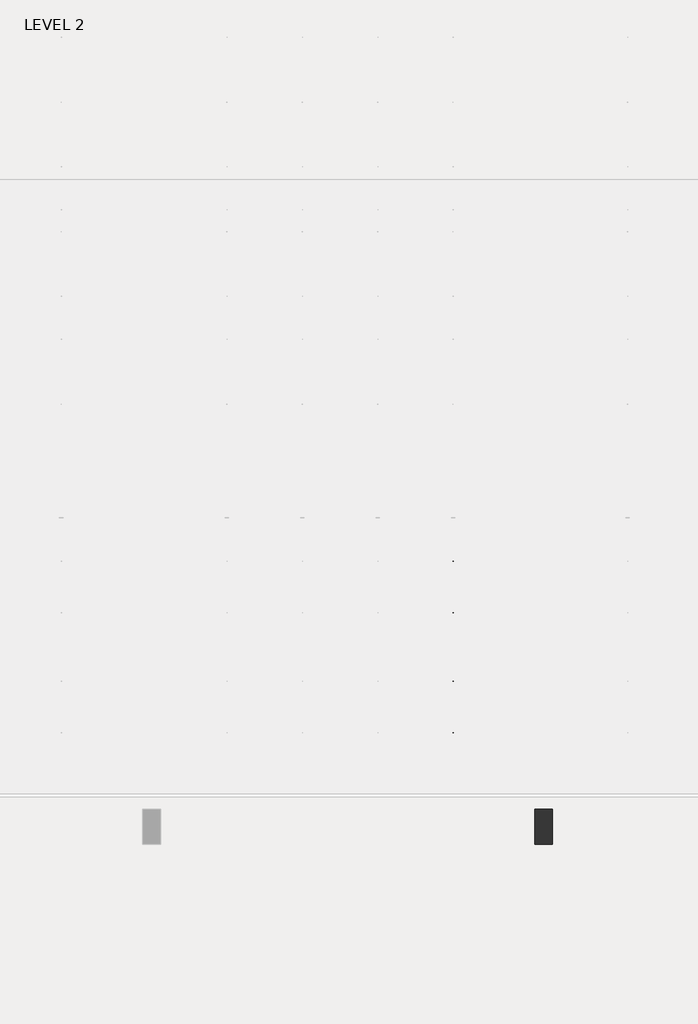
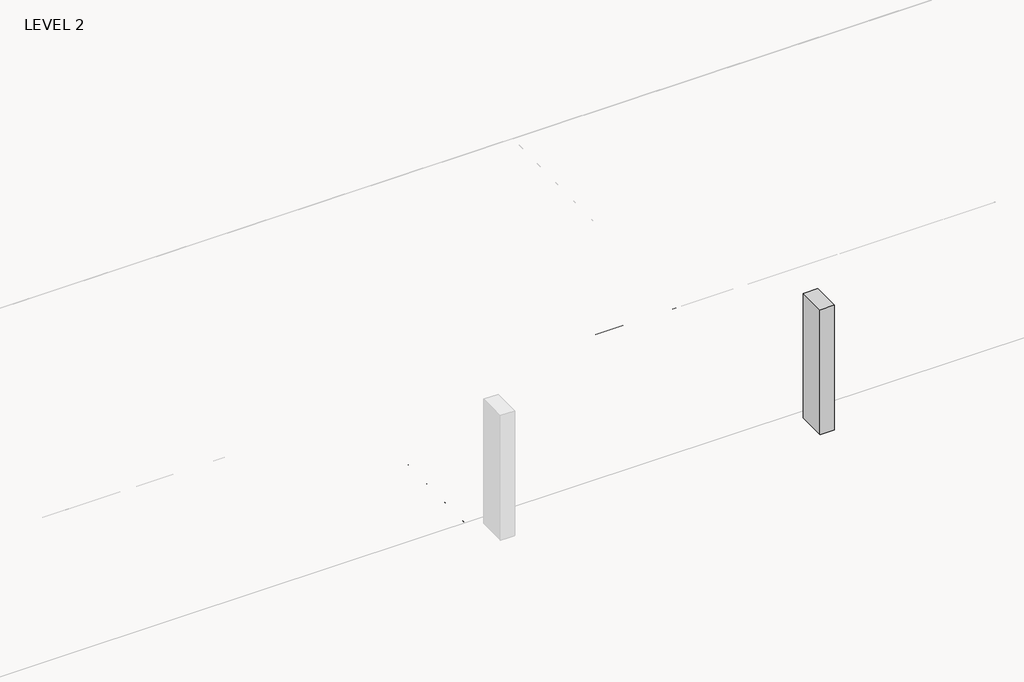
# One storey, part 39 of 67: 3 beams, 1 column.
"""IFC4 building model written with IfcOpenShell, lengths in millimetres."""

import ifcopenshell
import ifcopenshell.guid

model = None  # the IFC model being written
_history = None  # IfcOwnerHistory: only IFC2X3 demands one
_inside = {}  # id of a spatial element -> (the spatial element, [elements in it])
_under = {}  # id of a project, library or spatial element -> (it, [spatial elements below it])
_declared = {}  # id of a project -> (the project, [libraries it declares])
_typed = {}  # id of a type object -> (the type object, [elements of that type])
_made_of = {}  # id of a material, layer set ... -> (it, [elements and type objects made of it])


def new_model(schema):
    """Start an empty IFC model of exactly this schema.

    Asked for "IFC4X3", IfcOpenShell would pick the latest addendum, in which some entities
    have other attributes; the version numbers below select the first issue.
    IFC2X3 requires an IfcOwnerHistory on every rooted entity: one is made here for all.
    """
    global model, _history
    if schema == "IFC4X3":
        model = ifcopenshell.file(schema_version=(4, 3, 0, 0))
    else:
        model = ifcopenshell.file(schema=schema)
    _inside.clear()
    _under.clear()
    _declared.clear()
    _typed.clear()
    _made_of.clear()
    _history = None
    if model.schema == "IFC2X3":
        org = make("IfcOrganization", Name="unknown")
        user = make(
            "IfcPersonAndOrganization",
            ThePerson=make("IfcPerson", FamilyName="unknown"),
            TheOrganization=org,
        )
        app = make(
            "IfcApplication",
            ApplicationDeveloper=org,
            Version="unknown",
            ApplicationFullName="unknown",
            ApplicationIdentifier="unknown",
        )
        _history = make(
            "IfcOwnerHistory",
            OwningUser=user,
            OwningApplication=app,
            ChangeAction="ADDED",
            CreationDate=0,
        )
    return model


def make(cls, **values):
    """One entity of the class cls with the attributes given. An attribute that is None is left unset."""
    return model.create_entity(
        cls, **{name: value for name, value in values.items() if value is not None}
    )


def rooted(cls, **values):
    """An entity with a GlobalId (a new one), such as an element, a storey or a relation."""
    return make(cls, GlobalId=ifcopenshell.guid.new(), OwnerHistory=_history, **values)


def si_unit(unit_type, name, prefix=None):
    """IfcSIUnit, for example si_unit("LENGTHUNIT", "METRE", prefix="MILLI")."""
    return make("IfcSIUnit", UnitType=unit_type, Prefix=prefix, Name=name)


def assignment(units):
    """IfcUnitAssignment: the units of a project."""
    return None if units is None else make("IfcUnitAssignment", Units=units)


def point(xyz):
    """IfcCartesianPoint."""
    return None if xyz is None else make("IfcCartesianPoint", Coordinates=xyz)


def direction(xyz):
    """IfcDirection."""
    return None if xyz is None else make("IfcDirection", DirectionRatios=xyz)


def frame(location, z_axis=None, x_axis=None):
    """IfcAxis2Placement3D, a coordinate frame: its origin and axes. An axis left out is left unset."""
    return make(
        "IfcAxis2Placement3D",
        Location=point(location),
        Axis=direction(z_axis),
        RefDirection=direction(x_axis),
    )


def frame_2d(location, x_axis=None):
    """IfcAxis2Placement2D, a coordinate frame in the plane: its origin and x axis."""
    return make(
        "IfcAxis2Placement2D", Location=point(location), RefDirection=direction(x_axis)
    )


def origin():
    """The frame at (0, 0, 0) with its axes left unset."""
    return frame((0.0, 0.0, 0.0))


def place(relative_to, where):
    """IfcLocalPlacement: puts the frame where relative to a parent placement (None: the world)."""
    return make(
        "IfcLocalPlacement", PlacementRelTo=relative_to, RelativePlacement=where
    )


def context(
    kind, dimensions, precision=None, world=None, true_north=None, identifier=None
):
    """IfcGeometricRepresentationContext, for example the 3D "Model" context."""
    return make(
        "IfcGeometricRepresentationContext",
        ContextIdentifier=identifier,
        ContextType=kind,
        CoordinateSpaceDimension=dimensions,
        Precision=precision,
        WorldCoordinateSystem=world,
        TrueNorth=true_north,
    )


def project(units=None, contexts=None):
    """IfcProject with its units and contexts."""
    return rooted(
        "IfcProject",
        Name="project",
        RepresentationContexts=contexts,
        UnitsInContext=assignment(units),
    )


def spatial(cls, under=None, at=None, **own):
    """A site, building, storey or space (cls), placed at a placement, below another one or the project."""
    s = rooted(cls, ObjectPlacement=at, **own)
    if under is not None:
        _under.setdefault(under.id(), (under, []))[1].append(s)
    return s


def polyline(points):
    """IfcPolyline through the points."""
    return make("IfcPolyline", Points=[point(p) for p in points])


def circle_curve(where, radius):
    """IfcCircle in the frame where."""
    return make("IfcCircle", Position=where, Radius=radius)


def ellipse_curve(where, semi_axis1, semi_axis2):
    """IfcEllipse in the frame where."""
    return make(
        "IfcEllipse", Position=where, SemiAxis1=semi_axis1, SemiAxis2=semi_axis2
    )


def trimmed(basis, trim1, trim2, sense, master):
    """IfcTrimmedCurve: the piece of a basis curve between two trims."""
    return make(
        "IfcTrimmedCurve",
        BasisCurve=basis,
        Trim1=trim1,
        Trim2=trim2,
        SenseAgreement=sense,
        MasterRepresentation=master,
    )


def segment(curve, same_sense, transition):
    """IfcCompositeCurveSegment."""
    return make(
        "IfcCompositeCurveSegment",
        Transition=transition,
        SameSense=same_sense,
        ParentCurve=curve,
    )


def composite_curve(segments, self_intersect=None):
    """IfcCompositeCurve: segments joined end to end."""
    return make("IfcCompositeCurve", Segments=segments, SelfIntersect=self_intersect)


def outline(outer, holes=None, kind="AREA"):
    """IfcArbitraryClosedProfileDef: a profile drawn as a closed curve; with holes, ...WithVoids."""
    if holes is None:
        return make("IfcArbitraryClosedProfileDef", ProfileType=kind, OuterCurve=outer)
    return make(
        "IfcArbitraryProfileDefWithVoids",
        ProfileType=kind,
        OuterCurve=outer,
        InnerCurves=holes,
    )


def extrude(swept, where, along, depth):
    """IfcExtrudedAreaSolid: the profile swept, set in the frame where, extruded along a direction by depth."""
    return make(
        "IfcExtrudedAreaSolid",
        SweptArea=swept,
        Position=where,
        ExtrudedDirection=direction(along),
        Depth=depth,
    )


def faces_of(points, faces, orient=None, outer=None):
    """IfcFace entities. A face is a list of loops; a loop is a list of indices into points, from 0.

    orient and outer hold one flag for each loop. By default every Orientation is true, the
    first loop of a face is its IfcFaceOuterBound and the others are IfcFaceBound.
    """
    made = []
    for i, loops in enumerate(faces):
        bounds = []
        for j, loop in enumerate(loops):
            is_outer = j == 0 if outer is None else outer[i][j]
            bounds.append(
                make(
                    "IfcFaceOuterBound" if is_outer else "IfcFaceBound",
                    Bound=make("IfcPolyLoop", Polygon=[points[k] for k in loop]),
                    Orientation=True if orient is None else orient[i][j],
                )
            )
        made.append(make("IfcFace", Bounds=bounds))
    return made


def faceted_brep(points, faces, orient=None, outer=None, voids=None):
    """IfcFacetedBrep: a solid bounded by flat faces; with voids (closed shells), ...WithVoids."""
    shared = [point(p) for p in points]
    hull = make("IfcClosedShell", CfsFaces=faces_of(shared, faces, orient, outer))
    if voids is None:
        return make("IfcFacetedBrep", Outer=hull)
    return make(
        "IfcFacetedBrepWithVoids",
        Outer=hull,
        Voids=[
            make(cls, CfsFaces=faces_of(shared, fs, o, b)) for cls, fs, o, b in voids
        ],
    )


def shape(context_of_items, identifier, shape_type, items):
    """IfcShapeRepresentation: the items that make up one representation, for example the "Body"."""
    return make(
        "IfcShapeRepresentation",
        ContextOfItems=context_of_items,
        RepresentationIdentifier=identifier,
        RepresentationType=shape_type,
        Items=items,
    )


def source(mapping_origin, context_of_items, identifier, shape_type, items):
    """IfcRepresentationMap: a shape defined once, which mapped items show again and again."""
    return make(
        "IfcRepresentationMap",
        MappingOrigin=mapping_origin,
        MappedRepresentation=shape(context_of_items, identifier, shape_type, items),
    )


def transform(
    local_origin,
    x_axis=None,
    y_axis=None,
    z_axis=None,
    scale=None,
    scale2=None,
    scale3=None,
    uniform=True,
):
    """IfcCartesianTransformationOperator3D, or its non-uniform kind. x_axis, y_axis, z_axis: its Axis1, 2, 3."""
    if uniform:
        return make(
            "IfcCartesianTransformationOperator3D",
            Axis1=direction(x_axis),
            Axis2=direction(y_axis),
            LocalOrigin=point(local_origin),
            Scale=scale,
            Axis3=direction(z_axis),
        )
    return make(
        "IfcCartesianTransformationOperator3DnonUniform",
        Axis1=direction(x_axis),
        Axis2=direction(y_axis),
        LocalOrigin=point(local_origin),
        Scale=scale,
        Axis3=direction(z_axis),
        Scale2=scale2,
        Scale3=scale3,
    )


def mapped(mapping_source, mapping_target):
    """IfcMappedItem: shows the shape of a source again, moved by a transform."""
    return make(
        "IfcMappedItem", MappingSource=mapping_source, MappingTarget=mapping_target
    )


def made_of(thing, what):
    """Note that an element or type object is made of a material, layer set ...; save() writes the relation."""
    if what is not None:
        _made_of.setdefault(what.id(), (what, []))[1].append(thing)
    return thing


def element(
    cls,
    number,
    at=None,
    inside=None,
    cuts=None,
    type_object=None,
    material=None,
    context=None,
    identifier="Body",
    shape_type=None,
    held_by="IfcProductDefinitionShape",
    body=None,
    shapes=None,
    **own,
):
    """One element of the class cls, such as IfcWall. Its Tag is "e" and its number.

    at: its placement. inside: the storey or other place that contains it. cuts: it is an
    opening in that element (IfcRelVoidsElement). A single representation is given by context,
    identifier, shape_type and body (its items); several are given by shapes. held_by: the class
    of the entity that holds the representations. save() writes the other relations.
    """
    e = rooted(cls, Tag="e%d" % number, ObjectPlacement=at, **own)
    if body is not None:
        shapes = [shape(context, identifier, shape_type, body)]
    if shapes is not None:
        e.Representation = make(held_by, Representations=shapes)
    if inside is not None:
        _inside.setdefault(inside.id(), (inside, []))[1].append(e)
    if cuts is not None:
        rooted(
            "IfcRelVoidsElement", RelatingBuildingElement=cuts, RelatedOpeningElement=e
        )
    if type_object is not None:
        _typed.setdefault(type_object.id(), (type_object, []))[1].append(e)
    return made_of(e, material)


def aggregate(whole, parts):
    """IfcRelAggregates: a whole, such as a stair, and the parts it consists of."""
    return rooted("IfcRelAggregates", RelatingObject=whole, RelatedObjects=parts)


def save(model, path):
    """Write the relations noted so far, then the file.

    IfcRelAggregates (storeys below a building ...), IfcRelContainedInSpatialStructure (elements
    in a storey), IfcRelDefinesByType, IfcRelAssociatesMaterial and IfcRelDeclares: one each for
    every whole, place, type object, material and project.
    """
    for whole, parts in _under.values():
        aggregate(whole, parts)
    for where, things in _inside.values():
        rooted(
            "IfcRelContainedInSpatialStructure",
            RelatedElements=things,
            RelatingStructure=where,
        )
    for kind, things in _typed.values():
        rooted("IfcRelDefinesByType", RelatedObjects=things, RelatingType=kind)
    for what, things in _made_of.values():
        rooted("IfcRelAssociatesMaterial", RelatedObjects=things, RelatingMaterial=what)
    for by, libraries in _declared.values():
        rooted("IfcRelDeclares", RelatingContext=by, RelatedDefinitions=libraries)
    model.write(path)


def plane_surface(at):
    """IfcPlane: the flat surface through the origin of the frame at, square to its z axis."""
    return make("IfcPlane", Position=at)


def revolved_surface(curve, axis_point, axis_direction):
    """IfcSurfaceOfRevolution: the curve turned about the line through axis_point along axis_direction."""
    return make(
        "IfcSurfaceOfRevolution",
        SweptCurve=make("IfcArbitraryOpenProfileDef", ProfileType="CURVE", Curve=curve),
        AxisPosition=make("IfcAxis1Placement", Location=point(axis_point), Axis=direction(axis_direction)),
    )


def advanced_brep(points, edges, surfaces, faces):
    """IfcAdvancedBrep: a solid bounded by faces that lie on surfaces and meet in shared edges.

    An edge is (start, end): straight between two places in points (the first is 0);
    or (start, end, curve); or (start, end, curve, False) where it runs against its curve.
    A face is (place in surfaces, loops), or (place, loops, False) where it looks against
    its surface's normal. A loop lists edges by number (the first is 1), with a minus sign
    where the edge is run from its end to its start. The first loop is the outer one.
    """
    corners = [point(p) for p in points]
    vertices = [make("IfcVertexPoint", VertexGeometry=c) for c in corners]
    made = []
    for start, end, *more in edges:
        made.append(
            make(
                "IfcEdgeCurve",
                EdgeStart=vertices[start],
                EdgeEnd=vertices[end],
                EdgeGeometry=more[0] if more else make("IfcPolyline", Points=[corners[start], corners[end]]),
                SameSense=more[1] if len(more) > 1 else True,
            )
        )
    hull = []
    for where, loops, *sense in faces:
        bounds = []
        for j, loop in enumerate(loops):
            ring = [make("IfcOrientedEdge", EdgeElement=made[abs(k) - 1], Orientation=k > 0) for k in loop]
            bounds.append(
                make(
                    "IfcFaceOuterBound" if j == 0 else "IfcFaceBound",
                    Bound=make("IfcEdgeLoop", EdgeList=ring),
                    Orientation=True,
                )
            )
        hull.append(make("IfcAdvancedFace", Bounds=bounds, FaceSurface=surfaces[where], SameSense=sense[0] if sense else True))
    return make("IfcAdvancedBrep", Outer=make("IfcClosedShell", CfsFaces=hull))


def w16x26_cc45c3c0(model_context):
    return source(origin(), model_context, "Body", "SweptSolid", [
        extrude(outline(composite_curve([segment(polyline([(69.85, -190.627), (69.85, -199.39), (-69.85, -199.39), (-69.85, -190.627), (-21.3995, -190.627)]), True, "CONTINUOUS"), segment(trimmed(circle_curve(frame_2d((-21.3995, -172.4025)), 18.2245), [point((-21.3995, -190.627))], [point((-3.175, -172.4025))], True, "CARTESIAN"), True, "CONTINUOUS"), segment(polyline([(-3.175, -172.4025), (-3.175, 172.4025)]), True, "CONTINUOUS"), segment(trimmed(circle_curve(frame_2d((-21.3995, 172.4025)), 18.2245), [point((-3.175, 172.4025))], [point((-21.3995, 190.627))], True, "CARTESIAN"), True, "CONTINUOUS"), segment(polyline([(-21.3995, 190.627), (-69.85, 190.627), (-69.85, 199.39), (69.85, 199.39), (69.85, 190.627), (21.3995, 190.627)]), True, "CONTINUOUS"), segment(trimmed(circle_curve(frame_2d((21.3995, 172.4025)), 18.2245), [point((21.3995, 190.627))], [point((3.175, 172.4025))], True, "CARTESIAN"), True, "CONTINUOUS"), segment(polyline([(3.175, 172.4025), (3.175, -172.4025)]), True, "CONTINUOUS"), segment(trimmed(circle_curve(frame_2d((21.3995, -172.4025)), 18.2245), [point((3.175, -172.4025))], [point((21.3995, -190.627))], True, "CARTESIAN"), True, "CONTINUOUS"), segment(polyline([(21.3995, -190.627), (69.85, -190.627)]), True, "CONTINUOUS")], self_intersect=False)), frame((-3822.7, 0.0, 0.0), z_axis=(1.0, 0.0, 0.0), x_axis=(0.0, 1.0, 0.0)), (0.0, 0.0, 1.0), 7785.1),
    ])


model = new_model("IFC4")

# Units and contexts
model_context = context("Model", 3, world=origin())
ifc_project = project(units=[si_unit("LENGTHUNIT", "METRE", prefix="MILLI")], contexts=[model_context])

# Site, building, storey
site = spatial("IfcSite", under=ifc_project)
building = spatial("IfcBuilding", under=site)
storey = spatial("IfcBuildingStorey", under=building, Name="LEVEL 2", Elevation=6908.8)

# Beams
placement = place(None, origin())
element("IfcBeam", 1, ObjectType="K-Series Bar Joist-Angle Web : 12K3", at=placement, inside=storey, context=model_context, shape_type="SolidModel", body=[
    extrude(outline(polyline([(0.0, -9.525), (0.0, 0.0), (573.7533355, 0.0), (573.7533355, -9.525), (0.0, -9.525)])), frame((38749.8014942, -9604.1227945, 6274.1671734), z_axis=(0.0, -0.48308851527800273, 0.8755715198694479), x_axis=(0.0, -0.8755715198694479, -0.48308851527800273)), (0.0, 0.0, 1.0), 9.525),
    extrude(outline(polyline([(0.0, -9.525), (0.0, 0.0), (573.7533355, 0.0), (573.7533355, -9.525), (0.0, -9.525)])), frame((38740.2764942, -14433.5123055, 6174.0312759), z_axis=(0.0, 0.44637950228858414, 0.894843751688861), x_axis=(0.0, 0.894843751688861, -0.44637950228858414)), (0.0, 0.0, 1.0), 9.525),
    extrude(outline(polyline([(4.7625, 4.7625), (4.7625, -4.7625), (-4.7625, -4.7625), (-4.7625, 4.7625), (4.7625, 4.7625)])), frame((38745.0389942, -10108.7855836, 6001.1634358), z_axis=(0.0, 0.5271021201119526, 0.8498019504410923), x_axis=(-1.0, 0.0, 0.0)), (0.0, 0.0, 1.0), 317.9950191),
    extrude(outline(polyline([(4.7625, 4.7625), (4.7625, -4.7625001), (-4.7625, -4.7625001), (-4.7625, 4.7625), (4.7625, 4.7625)])), frame((38745.0389942, -13917.9668359, 5922.1812409), z_axis=(0.0, -0.5618747002661082, 0.8272223529383567), x_axis=(-1.0, 0.0, 0.0)), (0.0, 0.0, 1.0), 317.9950191),
    extrude(outline(polyline([(0.0, 0.0), (31.75, 0.0), (31.75, -6.35), (6.35, -6.35), (6.35, -31.75), (0.0, -31.75), (0.0, 0.0)])), frame((38749.8014942, -14019.4133656, 5913.7264136), z_axis=(0.0, 0.9997851055909517, 0.020730234887470715), x_axis=(1.0, 0.0, 0.0)), (0.0, 0.0, 1.0), 4013.2),
    extrude(outline(polyline([(-9.525, 0.0), (-9.525, -31.75), (-15.875, -31.75), (-15.875, -6.35), (-41.275, -6.35), (-41.275, 0.0), (-9.525, 0.0)])), frame((38749.8014942, -14019.4133656, 5913.7264136), z_axis=(0.0, 0.9997851055909517, 0.020730234887470715), x_axis=(1.0, 0.0, 0.0)), (0.0, 0.0, 1.0), 4013.2),
    extrude(outline(polyline([(-31.75, 0.0), (0.0, 0.0), (0.0, -6.35), (-25.4, -6.35), (-25.4, -31.75), (-31.75, -31.75), (-31.75, 0.0)])), frame((38781.5514942, -14532.3064049, 6144.4436003), z_axis=(0.0, 0.9997851055909517, 0.020730234887470715), x_axis=(1.0, 0.0, 0.0)), (0.0, 0.0, 1.0), 101.6),
    extrude(outline(polyline([(-41.275, 0.0), (-41.275, -31.75), (-47.625, -31.75), (-47.625, -6.35), (-73.025, -6.35), (-73.025, 0.0), (-41.275, 0.0)])), frame((38781.5514942, -14532.3064049, 6144.4436003), z_axis=(0.0, 0.9997851055909517, 0.020730234887470715), x_axis=(1.0, 0.0, 0.0)), (0.0, 0.0, 1.0), 101.6),
    extrude(outline(polyline([(0.0, 0.0), (31.75, 0.0), (31.75, -6.35), (6.35, -6.35), (6.35, -31.75), (0.0, -31.75), (0.0, 0.0)])), frame((38740.2764942, -9605.7653186, 6246.5939057), z_axis=(0.0, 0.9997851055909517, 0.020730234887470715), x_axis=(0.0, -0.020730234887470715, 0.9997851055909517)), (0.0, 0.0, 1.0), 101.6),
    extrude(outline(polyline([(0.0, 41.275), (6.35, 41.275), (6.35, 15.875), (31.75, 15.875), (31.75, 9.525), (0.0, 9.525), (0.0, 41.275)])), frame((38740.2764942, -9605.7653186, 6246.5939057), z_axis=(0.0, 0.9997851055909517, 0.020730234887470715), x_axis=(0.0, -0.020730234887470715, 0.9997851055909517)), (0.0, 0.0, 1.0), 101.6),
    extrude(outline(polyline([(0.0, 0.0), (31.75, 0.0), (31.75, -6.35), (6.35, -6.35), (6.35, -31.75), (0.0, -31.75), (0.0, 0.0)])), frame((38749.8014942, -14533.6227748, 6207.9299545), z_axis=(0.0, 0.9997851055909517, 0.020730234887470715), x_axis=(0.0, 0.020730234887470715, -0.9997851055909517)), (0.0, 0.0, 1.0), 5029.2),
    extrude(outline(polyline([(0.0, 9.525), (0.0, 41.275), (6.35, 41.275), (6.35, 15.875), (31.75, 15.875), (31.75, 9.525), (0.0, 9.525)])), frame((38749.8014942, -14533.6227748, 6207.9299545), z_axis=(0.0, 0.9997851055909517, 0.020730234887470715), x_axis=(0.0, 0.020730234887470715, -0.9997851055909517)), (0.0, 0.0, 1.0), 5029.2),
    faceted_brep([(38745.0389942, -10109.114676, 6017.0350244), (38745.0389942, -10108.7197651, 5997.9891181), (38740.2764942, -10108.7197651, 5997.9891181), (38740.2764942, -10109.114676, 6017.0350244), (38745.0389942, -10109.9510625, 6017.0176822), (38745.0389942, -10276.1904217, 6293.0308149), (38745.0389942, -10294.3999415, 6292.6532461), (38745.0389942, -10294.0050305, 6273.6073399), (38745.0389942, -10286.8200086, 6273.7563191), (38745.0389942, -10120.5806494, 5997.7431863), (38740.2764942, -10120.5806494, 5997.7431863), (38740.2764942, -10141.3605693, 6032.2448279), (38740.2764942, -10137.2808829, 6034.7019736), (38740.2764942, -10273.294904, 6260.5309003), (38740.2764942, -10277.3745905, 6258.0737547), (38740.2764942, -10286.8200086, 6273.7563191), (38740.2764942, -10294.0050305, 6273.6073399), (38740.2764942, -10294.3999415, 6292.6532461), (38740.2764942, -10276.1904217, 6293.0308149), (38740.2764942, -10109.9510625, 6017.0176822), (38727.5764942, -10277.3745905, 6258.0737547), (38727.5764942, -10141.3605693, 6032.2448279), (38727.5764942, -10137.2808829, 6034.7019736), (38727.5764942, -10273.294904, 6260.5309003)], [[[0, 1, 2, 3]], [[1, 0, 4, 5, 6, 7, 8, 9]], [[2, 1, 9, 10]], [[3, 2, 10, 11, 12, 13, 14, 15, 16, 17, 18, 19]], [[0, 3, 19, 4]], [[9, 8, 15, 14, 20, 21, 11, 10]], [[5, 4, 19, 18]], [[7, 6, 17, 16]], [[8, 7, 16, 15]], [[6, 5, 18, 17]], [[21, 22, 12, 11]], [[20, 14, 13, 23]], [[22, 21, 20, 23]], [[12, 22, 23, 13]]]),
    extrude(outline(polyline([(-10455.0089698, 5990.8089186), (-10455.4038808, 6009.8548248), (-10454.5674943, 6009.872167), (-10299.9121904, 6292.5389513), (-10281.7026706, 6292.9165201), (-10281.3077596, 6273.8706138), (-10288.4927815, 6273.7216346), (-10443.1480854, 5991.0548503), (-10455.0089698, 5990.8089186)])), frame((38745.0389942, 0.0, 0.0), z_axis=(1.0, 0.0, 0.0), x_axis=(0.0, 1.0, 0.0)), (0.0, 0.0, 1.0), 4.7625),
    extrude(outline(polyline([(-4.7625, 4.7625), (-4.7625, 0.0), (-17.4625, 0.0), (-17.4625, 4.7625), (-4.7625, 4.7625)])), frame((38745.0389942, -10423.8161725, 6026.3881984), z_axis=(0.0, 0.4799841217599757, 0.8772771756168657), x_axis=(-1.0, 0.0, 0.0)), (0.0, 0.0, 1.0), 263.6257159),
    faceted_brep([(38745.0389942, -13572.0067236, 5945.233029), (38745.0389942, -13571.6118126, 5926.1871227), (38740.2764942, -13571.6118126, 5926.1871227), (38740.2764942, -13572.0067236, 5945.233029), (38745.0389942, -13572.8431101, 5945.2156868), (38745.0389942, -13739.0824692, 6221.2288195), (38745.0389942, -13757.291989, 6220.8512507), (38745.0389942, -13756.897078, 6201.8053445), (38745.0389942, -13749.7120561, 6201.9543237), (38745.0389942, -13583.472697, 5925.941191), (38740.2764942, -13583.472697, 5925.941191), (38740.2764942, -13604.2526169, 5960.4428325), (38740.2764942, -13600.1729304, 5962.8999782), (38740.2764942, -13736.1869515, 6188.7289049), (38740.2764942, -13740.266638, 6186.2717593), (38740.2764942, -13749.7120561, 6201.9543237), (38740.2764942, -13756.897078, 6201.8053445), (38740.2764942, -13757.291989, 6220.8512507), (38740.2764942, -13739.0824692, 6221.2288195), (38740.2764942, -13572.8431101, 5945.2156868), (38727.5764942, -13740.266638, 6186.2717593), (38727.5764942, -13604.2526169, 5960.4428325), (38727.5764942, -13600.1729304, 5962.8999782), (38727.5764942, -13736.1869515, 6188.7289049)], [[[0, 1, 2, 3]], [[1, 0, 4, 5, 6, 7, 8, 9]], [[2, 1, 9, 10]], [[3, 2, 10, 11, 12, 13, 14, 15, 16, 17, 18, 19]], [[0, 3, 19, 4]], [[9, 8, 15, 14, 20, 21, 11, 10]], [[5, 4, 19, 18]], [[7, 6, 17, 16]], [[8, 7, 16, 15]], [[6, 5, 18, 17]], [[21, 22, 12, 11]], [[20, 14, 13, 23]], [[22, 21, 20, 23]], [[12, 22, 23, 13]]]),
    extrude(outline(polyline([(-13917.9010174, 5919.0069232), (-13918.2959283, 5938.0528295), (-13917.4595419, 5938.0701717), (-13762.804238, 6220.736956), (-13744.5947182, 6221.1145247), (-13744.1998072, 6202.0686185), (-13751.3848291, 6201.9196392), (-13906.040133, 5919.252855), (-13917.9010174, 5919.0069232)])), frame((38745.0389942, 0.0, 0.0), z_axis=(1.0, 0.0, 0.0), x_axis=(0.0, 1.0, 0.0)), (0.0, 0.0, 1.0), 4.7625),
    extrude(outline(polyline([(-4.7625, 4.7625001), (-4.7625, 0.0), (-17.4625, 0.0), (-17.4625, 4.7625001), (-4.7625, 4.7625001)])), frame((38745.0389942, -13886.70822, 5954.586203), z_axis=(0.0, 0.4799841217599757, 0.8772771756168657), x_axis=(-1.0, 0.0, 0.0)), (0.0, 0.0, 1.0), 263.6257159),
    faceted_brep([(38745.0389942, -10455.4038808, 6009.8548248), (38745.0389942, -10455.0089698, 5990.8089186), (38740.2764942, -10455.0089698, 5990.8089186), (38740.2764942, -10455.4038808, 6009.8548248), (38745.0389942, -10456.2402673, 6009.8374826), (38745.0389942, -10622.4796264, 6285.8506153), (38745.0389942, -10640.6891462, 6285.4730466), (38745.0389942, -10640.2942352, 6266.4271403), (38745.0389942, -10633.1092134, 6266.5761195), (38745.0389942, -10466.8698542, 5990.5629868), (38740.2764942, -10466.8698542, 5990.5629868), (38740.2764942, -10487.6497741, 6025.0646284), (38740.2764942, -10483.5700876, 6027.521774), (38740.2764942, -10619.5841088, 6253.3507008), (38740.2764942, -10623.6637952, 6250.8935552), (38740.2764942, -10633.1092134, 6266.5761195), (38740.2764942, -10640.2942352, 6266.4271403), (38740.2764942, -10640.6891462, 6285.4730466), (38740.2764942, -10622.4796264, 6285.8506153), (38740.2764942, -10456.2402673, 6009.8374826), (38727.5764942, -10623.6637952, 6250.8935552), (38727.5764942, -10487.6497741, 6025.0646284), (38727.5764942, -10483.5700876, 6027.521774), (38727.5764942, -10619.5841088, 6253.3507008)], [[[0, 1, 2, 3]], [[1, 0, 4, 5, 6, 7, 8, 9]], [[2, 1, 9, 10]], [[3, 2, 10, 11, 12, 13, 14, 15, 16, 17, 18, 19]], [[0, 3, 19, 4]], [[9, 8, 15, 14, 20, 21, 11, 10]], [[5, 4, 19, 18]], [[7, 6, 17, 16]], [[8, 7, 16, 15]], [[6, 5, 18, 17]], [[21, 22, 12, 11]], [[20, 14, 13, 23]], [[22, 21, 20, 23]], [[12, 22, 23, 13]]]),
    extrude(outline(polyline([(-10801.2981746, 5983.628719), (-10801.6930855, 6002.6746253), (-10800.8566991, 6002.6919675), (-10646.2013952, 6285.3587518), (-10627.9918754, 6285.7363206), (-10627.5969644, 6266.6904143), (-10634.7819863, 6266.5414351), (-10789.4372902, 5983.8746508), (-10801.2981746, 5983.628719)])), frame((38745.0389942, 0.0, 0.0), z_axis=(1.0, 0.0, 0.0), x_axis=(0.0, 1.0, 0.0)), (0.0, 0.0, 1.0), 4.7625),
    extrude(outline(polyline([(-4.7625, 4.7625001), (-4.7625, 0.0), (-17.4625, 0.0), (-17.4625, 4.7625001), (-4.7625, 4.7625001)])), frame((38745.0389942, -10770.1053772, 6019.2079988), z_axis=(0.0, 0.4799841217599757, 0.8772771756168657), x_axis=(-1.0, 0.0, 0.0)), (0.0, 0.0, 1.0), 263.6257159),
    faceted_brep([(38745.0389942, -10801.6930855, 6002.6746253), (38745.0389942, -10801.2981746, 5983.628719), (38740.2764942, -10801.2981746, 5983.628719), (38740.2764942, -10801.6930855, 6002.6746253), (38745.0389942, -10802.529472, 6002.6572831), (38745.0389942, -10968.7688312, 6278.6704158), (38745.0389942, -10986.978351, 6278.292847), (38745.0389942, -10986.58344, 6259.2469408), (38745.0389942, -10979.3984181, 6259.39592), (38745.0389942, -10813.1590589, 5983.3827873), (38740.2764942, -10813.1590589, 5983.3827873), (38740.2764942, -10833.9389788, 6017.8844289), (38740.2764942, -10829.8592924, 6020.3415745), (38740.2764942, -10965.8733135, 6246.1705013), (38740.2764942, -10969.953, 6243.7133556), (38740.2764942, -10979.3984181, 6259.39592), (38740.2764942, -10986.58344, 6259.2469408), (38740.2764942, -10986.978351, 6278.292847), (38740.2764942, -10968.7688312, 6278.6704158), (38740.2764942, -10802.529472, 6002.6572831), (38727.5764942, -10969.953, 6243.7133556), (38727.5764942, -10833.9389788, 6017.8844289), (38727.5764942, -10829.8592924, 6020.3415745), (38727.5764942, -10965.8733135, 6246.1705013)], [[[0, 1, 2, 3]], [[1, 0, 4, 5, 6, 7, 8, 9]], [[2, 1, 9, 10]], [[3, 2, 10, 11, 12, 13, 14, 15, 16, 17, 18, 19]], [[0, 3, 19, 4]], [[9, 8, 15, 14, 20, 21, 11, 10]], [[5, 4, 19, 18]], [[7, 6, 17, 16]], [[8, 7, 16, 15]], [[6, 5, 18, 17]], [[21, 22, 12, 11]], [[20, 14, 13, 23]], [[22, 21, 20, 23]], [[12, 22, 23, 13]]]),
    extrude(outline(polyline([(-11147.5873793, 5976.4485195), (-11147.9822903, 5995.4944258), (-11147.1459038, 5995.511768), (-10992.4905999, 6278.1785523), (-10974.2810801, 6278.556121), (-10973.8861692, 6259.5102148), (-10981.071191, 6259.3612356), (-11135.726495, 5976.6944513), (-11147.5873793, 5976.4485195)])), frame((38745.0389942, 0.0, 0.0), z_axis=(1.0, 0.0, 0.0), x_axis=(0.0, 1.0, 0.0)), (0.0, 0.0, 1.0), 4.7625),
    extrude(outline(polyline([(-4.7625, 4.7625), (-4.7625, 0.0), (-17.4625, 0.0), (-17.4625, 4.7625), (-4.7625, 4.7625)])), frame((38745.0389942, -11116.394582, 6012.0277993), z_axis=(0.0, 0.4799841217599757, 0.8772771756168657), x_axis=(-1.0, 0.0, 0.0)), (0.0, 0.0, 1.0), 263.6257159),
    faceted_brep([(38745.0389942, -11147.9822903, 5995.4944258), (38745.0389942, -11147.5873793, 5976.4485195), (38740.2764942, -11147.5873793, 5976.4485195), (38740.2764942, -11147.9822903, 5995.4944258), (38745.0389942, -11148.8186768, 5995.4770835), (38745.0389942, -11315.0580359, 6271.4902163), (38745.0389942, -11333.2675557, 6271.1126475), (38745.0389942, -11332.8726447, 6252.0667412), (38745.0389942, -11325.6876229, 6252.2157204), (38745.0389942, -11159.4482637, 5976.2025877), (38740.2764942, -11159.4482637, 5976.2025877), (38740.2764942, -11180.2281836, 6010.7042293), (38740.2764942, -11176.1484971, 6013.1613749), (38740.2764942, -11312.1625183, 6238.9903017), (38740.2764942, -11316.2422047, 6236.5331561), (38740.2764942, -11325.6876229, 6252.2157204), (38740.2764942, -11332.8726447, 6252.0667412), (38740.2764942, -11333.2675557, 6271.1126475), (38740.2764942, -11315.0580359, 6271.4902163), (38740.2764942, -11148.8186768, 5995.4770835), (38727.5764942, -11316.2422047, 6236.5331561), (38727.5764942, -11180.2281836, 6010.7042293), (38727.5764942, -11176.1484971, 6013.1613749), (38727.5764942, -11312.1625183, 6238.9903017)], [[[0, 1, 2, 3]], [[1, 0, 4, 5, 6, 7, 8, 9]], [[2, 1, 9, 10]], [[3, 2, 10, 11, 12, 13, 14, 15, 16, 17, 18, 19]], [[0, 3, 19, 4]], [[9, 8, 15, 14, 20, 21, 11, 10]], [[5, 4, 19, 18]], [[7, 6, 17, 16]], [[8, 7, 16, 15]], [[6, 5, 18, 17]], [[21, 22, 12, 11]], [[20, 14, 13, 23]], [[22, 21, 20, 23]], [[12, 22, 23, 13]]]),
    extrude(outline(polyline([(-11493.8765841, 5969.26832), (-11494.2714951, 5988.3142262), (-11493.4351086, 5988.3315684), (-11338.7798047, 6270.9983527), (-11320.5702849, 6271.3759215), (-11320.1753739, 6252.3300152), (-11327.3603958, 6252.181036), (-11482.0156997, 5969.5142517), (-11493.8765841, 5969.26832)])), frame((38745.0389942, 0.0, 0.0), z_axis=(1.0, 0.0, 0.0), x_axis=(0.0, 1.0, 0.0)), (0.0, 0.0, 1.0), 4.7625),
    extrude(outline(polyline([(-4.7625, 4.7625), (-4.7625, 0.0), (-17.4625, 0.0), (-17.4625, 4.7625), (-4.7625, 4.7625)])), frame((38745.0389942, -11462.6837867, 6004.8475998), z_axis=(0.0, 0.4799841217599757, 0.8772771756168657), x_axis=(-1.0, 0.0, 0.0)), (0.0, 0.0, 1.0), 263.6257159),
    faceted_brep([(38745.0389942, -11494.2714951, 5988.3142262), (38745.0389942, -11493.8765841, 5969.26832), (38740.2764942, -11493.8765841, 5969.26832), (38740.2764942, -11494.2714951, 5988.3142262), (38745.0389942, -11495.1078815, 5988.296884), (38745.0389942, -11661.3472407, 6264.3100167), (38745.0389942, -11679.5567605, 6263.932448), (38745.0389942, -11679.1618495, 6244.8865417), (38745.0389942, -11671.9768276, 6245.0355209), (38745.0389942, -11505.7374685, 5969.0223882), (38740.2764942, -11505.7374685, 5969.0223882), (38740.2764942, -11526.5173883, 6003.5240298), (38740.2764942, -11522.4377019, 6005.9811754), (38740.2764942, -11658.451723, 6231.8101022), (38740.2764942, -11662.5314095, 6229.3529565), (38740.2764942, -11671.9768276, 6245.0355209), (38740.2764942, -11679.1618495, 6244.8865417), (38740.2764942, -11679.5567605, 6263.932448), (38740.2764942, -11661.3472407, 6264.3100167), (38740.2764942, -11495.1078815, 5988.296884), (38727.5764942, -11662.5314095, 6229.3529565), (38727.5764942, -11526.5173883, 6003.5240298), (38727.5764942, -11522.4377019, 6005.9811754), (38727.5764942, -11658.451723, 6231.8101022)], [[[0, 1, 2, 3]], [[1, 0, 4, 5, 6, 7, 8, 9]], [[2, 1, 9, 10]], [[3, 2, 10, 11, 12, 13, 14, 15, 16, 17, 18, 19]], [[0, 3, 19, 4]], [[9, 8, 15, 14, 20, 21, 11, 10]], [[5, 4, 19, 18]], [[7, 6, 17, 16]], [[8, 7, 16, 15]], [[6, 5, 18, 17]], [[21, 22, 12, 11]], [[20, 14, 13, 23]], [[22, 21, 20, 23]], [[12, 22, 23, 13]]]),
    extrude(outline(polyline([(-11840.1657888, 5962.0881204), (-11840.5606998, 5981.1340267), (-11839.7243133, 5981.1513689), (-11685.0690094, 6263.8181532), (-11666.8594896, 6264.1957219), (-11666.4645787, 6245.1498157), (-11673.6496006, 6245.0008365), (-11828.3049045, 5962.3340522), (-11840.1657888, 5962.0881204)])), frame((38745.0389942, 0.0, 0.0), z_axis=(1.0, 0.0, 0.0), x_axis=(0.0, 1.0, 0.0)), (0.0, 0.0, 1.0), 4.7625),
    extrude(outline(polyline([(-4.7625, 4.7625), (-4.7625, 0.0), (-17.4625, 0.0), (-17.4625, 4.7625), (-4.7625, 4.7625)])), frame((38745.0389942, -11808.9729915, 5997.6674002), z_axis=(0.0, 0.4799841217599757, 0.8772771756168657), x_axis=(-1.0, 0.0, 0.0)), (0.0, 0.0, 1.0), 263.6257159),
    faceted_brep([(38745.0389942, -11840.5606998, 5981.1340267), (38745.0389942, -11840.1657888, 5962.0881204), (38740.2764942, -11840.1657888, 5962.0881204), (38740.2764942, -11840.5606998, 5981.1340267), (38745.0389942, -11841.3970863, 5981.1166845), (38745.0389942, -12007.6364454, 6257.1298172), (38745.0389942, -12025.8459652, 6256.7522484), (38745.0389942, -12025.4510543, 6237.7063422), (38745.0389942, -12018.2660324, 6237.8553214), (38745.0389942, -11852.0266732, 5961.8421887), (38740.2764942, -11852.0266732, 5961.8421887), (38740.2764942, -11872.8065931, 5996.3438302), (38740.2764942, -11868.7269066, 5998.8009759), (38740.2764942, -12004.7409278, 6224.6299026), (38740.2764942, -12008.8206142, 6222.172757), (38740.2764942, -12018.2660324, 6237.8553214), (38740.2764942, -12025.4510543, 6237.7063422), (38740.2764942, -12025.8459652, 6256.7522484), (38740.2764942, -12007.6364454, 6257.1298172), (38740.2764942, -11841.3970863, 5981.1166845), (38727.5764942, -12008.8206142, 6222.172757), (38727.5764942, -11872.8065931, 5996.3438302), (38727.5764942, -11868.7269066, 5998.8009759), (38727.5764942, -12004.7409278, 6224.6299026)], [[[0, 1, 2, 3]], [[1, 0, 4, 5, 6, 7, 8, 9]], [[2, 1, 9, 10]], [[3, 2, 10, 11, 12, 13, 14, 15, 16, 17, 18, 19]], [[0, 3, 19, 4]], [[9, 8, 15, 14, 20, 21, 11, 10]], [[5, 4, 19, 18]], [[7, 6, 17, 16]], [[8, 7, 16, 15]], [[6, 5, 18, 17]], [[21, 22, 12, 11]], [[20, 14, 13, 23]], [[22, 21, 20, 23]], [[12, 22, 23, 13]]]),
    extrude(outline(polyline([(-12186.4549936, 5954.9079209), (-12186.8499046, 5973.9538271), (-12186.0135181, 5973.9711694), (-12031.3582142, 6256.6379536), (-12013.1486944, 6257.0155224), (-12012.7537834, 6237.9696161), (-12019.9388053, 6237.8206369), (-12174.5941092, 5955.1538527), (-12186.4549936, 5954.9079209)])), frame((38745.0389942, 0.0, 0.0), z_axis=(1.0, 0.0, 0.0), x_axis=(0.0, 1.0, 0.0)), (0.0, 0.0, 1.0), 4.7625),
    extrude(outline(polyline([(-4.7625, 4.7625001), (-4.7625, 0.0), (-17.4625, 0.0), (-17.4625, 4.7625001), (-4.7625, 4.7625001)])), frame((38745.0389942, -12155.2621962, 5990.4872007), z_axis=(0.0, 0.4799841217599757, 0.8772771756168657), x_axis=(-1.0, 0.0, 0.0)), (0.0, 0.0, 1.0), 263.6257159),
    faceted_brep([(38745.0389942, -12186.8499046, 5973.9538271), (38745.0389942, -12186.4549936, 5954.9079209), (38740.2764942, -12186.4549936, 5954.9079209), (38740.2764942, -12186.8499046, 5973.9538271), (38745.0389942, -12187.686291, 5973.9364849), (38745.0389942, -12353.9256502, 6249.9496176), (38745.0389942, -12372.13517, 6249.5720489), (38745.0389942, -12371.740259, 6230.5261426), (38745.0389942, -12364.5552371, 6230.6751218), (38745.0389942, -12198.315878, 5954.6619891), (38740.2764942, -12198.315878, 5954.6619891), (38740.2764942, -12219.0957979, 5989.1636307), (38740.2764942, -12215.0161114, 5991.6207763), (38740.2764942, -12351.0301325, 6217.4497031), (38740.2764942, -12355.109819, 6214.9925575), (38740.2764942, -12364.5552371, 6230.6751218), (38740.2764942, -12371.740259, 6230.5261426), (38740.2764942, -12372.13517, 6249.5720489), (38740.2764942, -12353.9256502, 6249.9496176), (38740.2764942, -12187.686291, 5973.9364849), (38727.5764942, -12355.109819, 6214.9925575), (38727.5764942, -12219.0957979, 5989.1636307), (38727.5764942, -12215.0161114, 5991.6207763), (38727.5764942, -12351.0301325, 6217.4497031)], [[[0, 1, 2, 3]], [[1, 0, 4, 5, 6, 7, 8, 9]], [[2, 1, 9, 10]], [[3, 2, 10, 11, 12, 13, 14, 15, 16, 17, 18, 19]], [[0, 3, 19, 4]], [[9, 8, 15, 14, 20, 21, 11, 10]], [[5, 4, 19, 18]], [[7, 6, 17, 16]], [[8, 7, 16, 15]], [[6, 5, 18, 17]], [[21, 22, 12, 11]], [[20, 14, 13, 23]], [[22, 21, 20, 23]], [[12, 22, 23, 13]]]),
    extrude(outline(polyline([(-12532.7441983, 5947.7277213), (-12533.1391093, 5966.7736276), (-12532.3027228, 5966.7909698), (-12377.6474189, 6249.4577541), (-12359.4378991, 6249.8353229), (-12359.0429882, 6230.7894166), (-12366.2280101, 6230.6404374), (-12520.883314, 5947.9736531), (-12532.7441983, 5947.7277213)])), frame((38745.0389942, 0.0, 0.0), z_axis=(1.0, 0.0, 0.0), x_axis=(0.0, 1.0, 0.0)), (0.0, 0.0, 1.0), 4.7625),
    extrude(outline(polyline([(-4.7625, 4.7625), (-4.7625, 0.0), (-17.4625, 0.0), (-17.4625, 4.7625), (-4.7625, 4.7625)])), frame((38745.0389942, -12501.551401, 5983.3070011), z_axis=(0.0, 0.4799841217599757, 0.8772771756168657), x_axis=(-1.0, 0.0, 0.0)), (0.0, 0.0, 1.0), 263.6257159),
    faceted_brep([(38745.0389942, -12533.1391093, 5966.7736276), (38745.0389942, -12532.7441983, 5947.7277213), (38740.2764942, -12532.7441983, 5947.7277213), (38740.2764942, -12533.1391093, 5966.7736276), (38745.0389942, -12533.9754958, 5966.7562854), (38745.0389942, -12700.214855, 6242.7694181), (38745.0389942, -12718.4243747, 6242.3918493), (38745.0389942, -12718.0294638, 6223.3459431), (38745.0389942, -12710.8444419, 6223.4949223), (38745.0389942, -12544.6050827, 5947.4817896), (38740.2764942, -12544.6050827, 5947.4817896), (38740.2764942, -12565.3850026, 5981.9834312), (38740.2764942, -12561.3053162, 5984.4405768), (38740.2764942, -12697.3193373, 6210.2695036), (38740.2764942, -12701.3990237, 6207.8123579), (38740.2764942, -12710.8444419, 6223.4949223), (38740.2764942, -12718.0294638, 6223.3459431), (38740.2764942, -12718.4243747, 6242.3918493), (38740.2764942, -12700.214855, 6242.7694181), (38740.2764942, -12533.9754958, 5966.7562854), (38727.5764942, -12701.3990237, 6207.8123579), (38727.5764942, -12565.3850026, 5981.9834312), (38727.5764942, -12561.3053162, 5984.4405768), (38727.5764942, -12697.3193373, 6210.2695036)], [[[0, 1, 2, 3]], [[1, 0, 4, 5, 6, 7, 8, 9]], [[2, 1, 9, 10]], [[3, 2, 10, 11, 12, 13, 14, 15, 16, 17, 18, 19]], [[0, 3, 19, 4]], [[9, 8, 15, 14, 20, 21, 11, 10]], [[5, 4, 19, 18]], [[7, 6, 17, 16]], [[8, 7, 16, 15]], [[6, 5, 18, 17]], [[21, 22, 12, 11]], [[20, 14, 13, 23]], [[22, 21, 20, 23]], [[12, 22, 23, 13]]]),
    extrude(outline(polyline([(-12879.0334031, 5940.5475218), (-12879.4283141, 5959.5934281), (-12878.5919276, 5959.6107703), (-12723.9366237, 6242.2775546), (-12705.7271039, 6242.6551233), (-12705.3321929, 6223.6092171), (-12712.5172148, 6223.4602379), (-12867.1725187, 5940.7934536), (-12879.0334031, 5940.5475218)])), frame((38745.0389942, 0.0, 0.0), z_axis=(1.0, 0.0, 0.0), x_axis=(0.0, 1.0, 0.0)), (0.0, 0.0, 1.0), 4.7625),
    extrude(outline(polyline([(-4.7625, 4.7625001), (-4.7625, 0.0), (-17.4625, 0.0), (-17.4625, 4.7625001), (-4.7625, 4.7625001)])), frame((38745.0389942, -12847.8406057, 5976.1268016), z_axis=(0.0, 0.4799841217599757, 0.8772771756168657), x_axis=(-1.0, 0.0, 0.0)), (0.0, 0.0, 1.0), 263.6257159),
    faceted_brep([(38745.0389942, -12879.4283141, 5959.5934281), (38745.0389942, -12879.0334031, 5940.5475218), (38740.2764942, -12879.0334031, 5940.5475218), (38740.2764942, -12879.4283141, 5959.5934281), (38745.0389942, -12880.2647005, 5959.5760859), (38745.0389942, -13046.5040597, 6235.5892186), (38745.0389942, -13064.7135795, 6235.2116498), (38745.0389942, -13064.3186685, 6216.1657435), (38745.0389942, -13057.1336466, 6216.3147228), (38745.0389942, -12890.8942875, 5940.30159), (38740.2764942, -12890.8942875, 5940.30159), (38740.2764942, -12911.6742074, 5974.8032316), (38740.2764942, -12907.5945209, 5977.2603773), (38740.2764942, -13043.608542, 6203.089304), (38740.2764942, -13047.6882285, 6200.6321584), (38740.2764942, -13057.1336466, 6216.3147228), (38740.2764942, -13064.3186685, 6216.1657435), (38740.2764942, -13064.7135795, 6235.2116498), (38740.2764942, -13046.5040597, 6235.5892186), (38740.2764942, -12880.2647005, 5959.5760859), (38727.5764942, -13047.6882285, 6200.6321584), (38727.5764942, -12911.6742074, 5974.8032316), (38727.5764942, -12907.5945209, 5977.2603773), (38727.5764942, -13043.608542, 6203.089304)], [[[0, 1, 2, 3]], [[1, 0, 4, 5, 6, 7, 8, 9]], [[2, 1, 9, 10]], [[3, 2, 10, 11, 12, 13, 14, 15, 16, 17, 18, 19]], [[0, 3, 19, 4]], [[9, 8, 15, 14, 20, 21, 11, 10]], [[5, 4, 19, 18]], [[7, 6, 17, 16]], [[8, 7, 16, 15]], [[6, 5, 18, 17]], [[21, 22, 12, 11]], [[20, 14, 13, 23]], [[22, 21, 20, 23]], [[12, 22, 23, 13]]]),
    extrude(outline(polyline([(-13225.3226079, 5933.3673223), (-13225.7175188, 5952.4132285), (-13224.8811324, 5952.4305707), (-13070.2258284, 6235.097355), (-13052.0163087, 6235.4749238), (-13051.6213977, 6216.4290175), (-13058.8064196, 6216.2800383), (-13213.4617235, 5933.613254), (-13225.3226079, 5933.3673223)])), frame((38745.0389942, 0.0, 0.0), z_axis=(1.0, 0.0, 0.0), x_axis=(0.0, 1.0, 0.0)), (0.0, 0.0, 1.0), 4.7625),
    extrude(outline(polyline([(-4.7625, 4.7625), (-4.7625, 0.0), (-17.4625, 0.0), (-17.4625, 4.7625), (-4.7625, 4.7625)])), frame((38745.0389942, -13194.1298105, 5968.9466021), z_axis=(0.0, 0.4799841217599757, 0.8772771756168657), x_axis=(-1.0, 0.0, 0.0)), (0.0, 0.0, 1.0), 263.6257159),
    faceted_brep([(38745.0389942, -13225.7175188, 5952.4132285), (38745.0389942, -13225.3226079, 5933.3673223), (38740.2764942, -13225.3226079, 5933.3673223), (38740.2764942, -13225.7175188, 5952.4132285), (38745.0389942, -13226.5539053, 5952.3958863), (38745.0389942, -13392.7932645, 6228.409019), (38745.0389942, -13411.0027843, 6228.0314503), (38745.0389942, -13410.6078733, 6208.985544), (38745.0389942, -13403.4228514, 6209.1345232), (38745.0389942, -13237.1834922, 5933.1213905), (38740.2764942, -13237.1834922, 5933.1213905), (38740.2764942, -13257.9634121, 5967.6230321), (38740.2764942, -13253.8837257, 5970.0801777), (38740.2764942, -13389.8977468, 6195.9091045), (38740.2764942, -13393.9774333, 6193.4519589), (38740.2764942, -13403.4228514, 6209.1345232), (38740.2764942, -13410.6078733, 6208.985544), (38740.2764942, -13411.0027843, 6228.0314503), (38740.2764942, -13392.7932645, 6228.409019), (38740.2764942, -13226.5539053, 5952.3958863), (38727.5764942, -13393.9774333, 6193.4519589), (38727.5764942, -13257.9634121, 5967.6230321), (38727.5764942, -13253.8837257, 5970.0801777), (38727.5764942, -13389.8977468, 6195.9091045)], [[[0, 1, 2, 3]], [[1, 0, 4, 5, 6, 7, 8, 9]], [[2, 1, 9, 10]], [[3, 2, 10, 11, 12, 13, 14, 15, 16, 17, 18, 19]], [[0, 3, 19, 4]], [[9, 8, 15, 14, 20, 21, 11, 10]], [[5, 4, 19, 18]], [[7, 6, 17, 16]], [[8, 7, 16, 15]], [[6, 5, 18, 17]], [[21, 22, 12, 11]], [[20, 14, 13, 23]], [[22, 21, 20, 23]], [[12, 22, 23, 13]]]),
    extrude(outline(polyline([(-13571.6118126, 5926.1871227), (-13572.0067236, 5945.233029), (-13571.1703371, 5945.2503712), (-13416.5150332, 6227.9171555), (-13398.3055134, 6228.2947243), (-13397.9106024, 6209.248818), (-13405.0956243, 6209.0998388), (-13559.7509282, 5926.4330545), (-13571.6118126, 5926.1871227)])), frame((38745.0389942, 0.0, 0.0), z_axis=(1.0, 0.0, 0.0), x_axis=(0.0, 1.0, 0.0)), (0.0, 0.0, 1.0), 4.7625),
    extrude(outline(polyline([(-4.7625, 4.7625001), (-4.7625, 0.0), (-17.4625, 0.0), (-17.4625, 4.7625001), (-4.7625, 4.7625001)])), frame((38745.0389942, -13540.4190152, 5961.7664025), z_axis=(0.0, 0.4799841217599757, 0.8772771756168657), x_axis=(-1.0, 0.0, 0.0)), (0.0, 0.0, 1.0), 263.6257159),
])
w16x26_shape = w16x26_cc45c3c0(model_context)
element("IfcBeam", 2, ObjectType="W16x26", at=placement, inside=storey, context=model_context, shape_type="MappedRepresentation", body=[
    mapped(w16x26_shape, transform((36611.4389942, -9504.9631483, 6049.3076563), x_axis=(1.0, 0.0, 0.0), y_axis=(0.0, 1.0, 0.0), z_axis=(0.0, 0.0, 1.0))),
])
element("IfcBeam", 3, ObjectType="W27x84", at=placement, inside=storey, context=model_context, shape_type="AdvancedBrep", body=[
    advanced_brep(
    [(32678.3124942, -2568.3370771, 5794.1882699), (32776.0389942, -2568.3370771, 5794.1882699), (32776.0389942, -2568.3370771, 5777.9287631), (32522.0389942, -2568.3370771, 5777.9287631), (32522.0389942, -2568.3370771, 5794.1882699), (32619.7654942, -2568.3370771, 5794.1882699), (32643.1969942, -2568.3370771, 5817.6248246), (32643.1969942, -2568.3370771, 6416.5590007), (32619.7654942, -2568.3370771, 6439.9955554), (32522.0389942, -2568.3370771, 6439.9955554), (32522.0389942, -2568.3370771, 6456.2550622), (32776.0389942, -2568.3370771, 6456.2550622), (32776.0389942, -2568.3370771, 6439.9955554), (32678.3124942, -2568.3370771, 6439.9955554), (32654.8809942, -2568.3370771, 6416.5590007), (32654.8809942, -2568.3370771, 5817.6248246), (32776.0389942, -14523.370538, 5545.8534726), (32678.3124942, -14523.370538, 5545.8534726), (32654.8809942, -14523.8571617, 5569.2799189), (32654.8809942, -14536.293099, 6167.9557707), (32678.3124942, -14536.7797226, 6191.3822171), (32776.0389942, -14536.7797226, 6191.3822171), (32776.0389942, -14537.117326, 6207.634711), (32522.0389942, -14537.117326, 6207.634711), (32522.0389942, -14536.7797226, 6191.3822171), (32619.7654942, -14536.7797226, 6191.3822171), (32643.1969942, -14536.293099, 6167.9557707), (32643.1969942, -14523.8571617, 5569.2799189), (32619.7654942, -14523.370538, 5545.8534726), (32522.0389942, -14523.370538, 5545.8534726), (32522.0389942, -14523.0329347, 5529.6009786), (32776.0389942, -14523.0329347, 5529.6009786)],
    [
        (0, 1),
        (1, 2),
        (2, 3),
        (3, 4),
        (4, 5),
        (5, 6, ellipse_curve(frame((32619.7654942, -2568.3370771, 5817.6248246), z_axis=(0.0, -1.0, 0.0), x_axis=(0.0, 0.0, 0.9999999999999999)), 23.4365547, 23.4315)),
        (6, 7),
        (7, 8, ellipse_curve(frame((32619.7654942, -2568.3370771, 6416.5590007), z_axis=(0.0, -1.0, 0.0), x_axis=(0.0, 0.0, 0.9999999999999999)), 23.4365547, 23.4315)),
        (8, 9),
        (9, 10),
        (10, 11),
        (11, 12),
        (12, 13),
        (13, 14, ellipse_curve(frame((32678.3124942, -2568.3370771, 6416.5590007), z_axis=(0.0, -1.0, 0.0), x_axis=(0.0, 0.0, 0.9999999999999999)), 23.4365547, 23.4315)),
        (14, 15),
        (15, 0, ellipse_curve(frame((32678.3124942, -2568.3370771, 5817.6248246), z_axis=(0.0, -1.0, 0.0), x_axis=(0.0, 0.0, 0.9999999999999999)), 23.4365547, 23.4315)),
        (16, 17),
        (17, 18, circle_curve(frame((32678.3124942, -14523.8571617, 5569.2799189), z_axis=(0.0, 0.9997843233890994, 0.020767924918026863), x_axis=(-1.0, 0.0, 0.0)), 23.4315)),
        (18, 19),
        (19, 20, circle_curve(frame((32678.3124942, -14536.293099, 6167.9557707), z_axis=(0.0, 0.9997843233890994, 0.020767924918026863), x_axis=(0.0, -0.02076792491802692, 0.9997843233890994)), 23.4315)),
        (20, 21),
        (21, 22),
        (22, 23),
        (23, 24),
        (24, 25),
        (25, 26, circle_curve(frame((32619.7654942, -14536.293099, 6167.9557707), z_axis=(0.0, 0.9997843233890994, 0.020767924918026863), x_axis=(1.0, 0.0, 0.0)), 23.4315)),
        (26, 27),
        (27, 28, circle_curve(frame((32619.7654942, -14523.8571617, 5569.2799189), z_axis=(0.0, 0.9997843233890994, 0.020767924918026863), x_axis=(0.0, 0.02076792491802692, -0.9997843233890994)), 23.4315)),
        (28, 29),
        (29, 30),
        (30, 31),
        (31, 16),
        (16, 1),
        (0, 17),
        (15, 18),
        (14, 19),
        (13, 20),
        (12, 21),
        (11, 22),
        (10, 23),
        (9, 24),
        (8, 25),
        (7, 26),
        (6, 27),
        (5, 28),
        (4, 29),
        (3, 30),
        (2, 31),
    ],
    [
        plane_surface(frame((22575.8860601, -2568.3370771, 6456.2550622), z_axis=(0.0, 1.0, 0.0), x_axis=(0.0, 0.0, 1.0))),
        plane_surface(frame((32649.0389942, -14530.0751303, 5868.6178448), z_axis=(0.0, -0.9997843233890994, -0.02076792491802692), x_axis=(0.0, -0.02076792491802692, 0.9997843233890994))),
        plane_surface(frame((32727.1757442, -14523.370538, 5545.8534726), z_axis=(0.0, -0.020767924918026863, 0.9997843233890994), x_axis=(-1.0, 0.0, 0.0))),
        revolved_surface(polyline([(32654.8809942, -2567.85045346681, 5817.634932903733), (32654.8809942, -14523.8571617, 5569.2799189)]), (32678.3124942, -14523.8571617, 5569.2799189), (0.0, 0.9997843233890994, 0.020767924918026863)),
        plane_surface(frame((32654.8809942, -14530.0751303, 5868.6178448), z_axis=(1.0, 0.0, 0.0), x_axis=(0.0, -0.02076792491802692, 0.9997843233890994))),
        revolved_surface(polyline([(32678.3124942, -2568.3370771000773, 6439.995555403861), (32678.3124942, -14536.779722632717, 6191.382217073492)]), (32678.3124942, -14536.293099, 6167.9557707), (0.0, 0.9997843233890994, 0.020767924918026863)),
        plane_surface(frame((32727.1757442, -14536.7797226, 6191.3822171), z_axis=(0.0, 0.020767924918026863, -0.9997843233890994), x_axis=(1.0, 0.0, 0.0))),
        plane_surface(frame((32776.0389942, -14536.9485243, 6199.5084641), z_axis=(1.0, 0.0, 0.0), x_axis=(0.0, -0.02076792491802692, 0.9997843233890994))),
        plane_surface(frame((32649.0389942, -14537.117326, 6207.634711), z_axis=(0.0, -0.020767924918026863, 0.9997843233890994), x_axis=(-1.0, 0.0, 0.0))),
        plane_surface(frame((32522.0389942, -14536.9485243, 6199.5084641), z_axis=(-1.0, 0.0, 0.0), x_axis=(0.0, 0.02076792491802692, -0.9997843233890994))),
        plane_surface(frame((32570.9022442, -14536.7797226, 6191.3822171), z_axis=(0.0, 0.020767924918026863, -0.9997843233890994), x_axis=(1.0, 0.0, 0.0))),
        revolved_surface(polyline([(32643.1969942, -2567.850453467361, 6416.569109030369), (32643.1969942, -14536.293099, 6167.9557707)]), (32619.7654942, -14536.293099, 6167.9557707), (0.0, 0.9997843233890994, 0.020767924918026863)),
        plane_surface(frame((32643.1969942, -14530.0751303, 5868.6178448), z_axis=(-1.0, 0.0, 0.0), x_axis=(0.0, 0.02076792491802692, -0.9997843233890994))),
        revolved_surface(polyline([(32619.7654942, -2567.363829834094, 5794.208486530241), (32619.7654942, -14523.370538067284, 5545.853472526508)]), (32619.7654942, -14523.8571617, 5569.2799189), (0.0, 0.9997843233890994, 0.020767924918026863)),
        plane_surface(frame((32570.9022442, -14523.370538, 5545.8534726), z_axis=(0.0, -0.020767924918026863, 0.9997843233890994), x_axis=(-1.0, 0.0, 0.0))),
        plane_surface(frame((32522.0389942, -14523.2017364, 5537.7272256), z_axis=(-1.0, 0.0, 0.0), x_axis=(0.0, 0.02076792491802692, -0.9997843233890994))),
        plane_surface(frame((32649.0389942, -14523.0329347, 5529.6009786), z_axis=(0.0, 0.020767924918026863, -0.9997843233890994), x_axis=(1.0, 0.0, 0.0))),
        plane_surface(frame((32776.0389942, -14523.2017364, 5537.7272256), z_axis=(1.0, 0.0, 0.0), x_axis=(0.0, -0.02076792491802692, 0.9997843233890994))),
    ],
    [
        (0, [[1, 2, 3, 4, 5, 6, 7, 8, 9, 10, 11, 12, 13, 14, 15, 16]]),
        (1, [[17, 18, 19, 20, 21, 22, 23, 24, 25, 26, 27, 28, 29, 30, 31, 32]]),
        (2, [[-17, 33, -1, 34]]),
        (3, [[-18, -34, -16, 35]]),
        (4, [[-19, -35, -15, 36]]),
        (5, [[-20, -36, -14, 37]]),
        (6, [[-21, -37, -13, 38]]),
        (7, [[-22, -38, -12, 39]]),
        (8, [[-23, -39, -11, 40]]),
        (9, [[-24, -40, -10, 41]]),
        (10, [[-25, -41, -9, 42]]),
        (11, [[-26, -42, -8, 43]]),
        (12, [[-27, -43, -7, 44]]),
        (13, [[-28, -44, -6, 45]]),
        (14, [[-29, -45, -5, 46]]),
        (15, [[-30, -46, -4, 47]]),
        (16, [[-31, -47, -3, 48]]),
        (17, [[-32, -48, -2, -33]]),
    ],
),
])

# Column
element("IfcColumn", 4, ObjectType="UC Concrete-Rectangular-Column : 14 x 28", at=placement, inside=storey, context=model_context, shape_type="SweptSolid", body=[
    extrude(outline(polyline([(40751.6389942, -15296.1107149), (40751.6389942, -16007.3107149), (40396.0389942, -16007.3107149), (40396.0389942, -15296.1107149), (40751.6389942, -15296.1107149)])), frame((0.0, 0.0, 6908.8), z_axis=(0.0, 0.0, 1.0), x_axis=(1.0, 0.0, 0.0)), (0.0, 0.0, 1.0), 3276.6),
])

save(model, "model.ifc")
